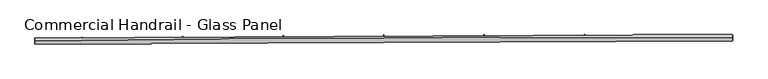
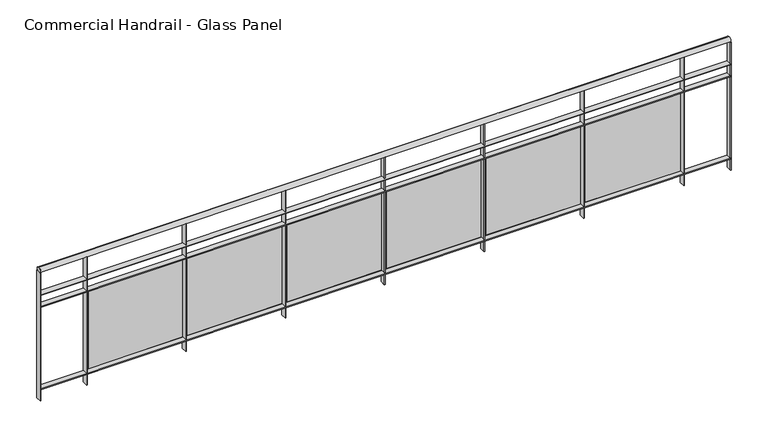
"""IFC4 building model written with IfcOpenShell, lengths in millimetres: railing geometry, Commercial Handrail - Glass Panel."""

from ifc_helpers import new_model, si_unit, point, frame, origin, place, context, project, spatial, polyline, circle_curve, ellipse_curve, trimmed, outline, extrude, source, transform, mapped, element, save
from ifc_brep_helpers import plane_surface, cylinder_surface, revolved_surface, advanced_brep


def commercial_handrail_glass_panel_6fb32caf(model_context):
    return source(origin(), model_context, "Body", "SolidModel", [
        advanced_brep(
        [(99695.5207842, -31501.488128, 23082.5), (105244.6880932, -31476.3541341, 23082.5), (105244.6880932, -31476.3541341, 23117.5), (99695.5207842, -31501.488128, 23117.5)],
        [
            (0, 1, circle_curve(frame((103958.1605732, -360026.9365691, 23082.5), z_axis=(0.0, 0.0, -1.0), x_axis=(0.003915736953513462, 0.9999923334726676, 0.0)), 328553.1012963)),
            (1, 2, ellipse_curve(frame((105244.6880932, -31476.3541341, 23100.0), z_axis=(-0.9999923334726678, 0.003915736953507025, 0.0), x_axis=(0.003915736953507024, 0.9999923334726676, 0.0)), 25.0, 17.5)),
            (2, 3, circle_curve(frame((103958.1605732, -360026.9365691, 23117.5), z_axis=(0.0, 0.0, 1.0), x_axis=(0.003915736953513462, 0.9999923334726676, 0.0)), 328553.1012963)),
            (3, 0, ellipse_curve(frame((99695.5207842, -31501.488128, 23100.0), z_axis=(0.9999158344417998, 0.012973975202676357, 0.0), x_axis=(-0.012973975202676354, 0.9999158344417995, 0.0)), 25.0, 17.5)),
            (2, 1, ellipse_curve(frame((105244.6880932, -31476.3541341, 23100.0), z_axis=(-0.9999923334726678, 0.003915736953507025, 0.0), x_axis=(0.003915736953507024, 0.9999923334726676, 0.0)), 25.0, 17.5)),
            (0, 3, ellipse_curve(frame((99695.5207842, -31501.488128, 23100.0), z_axis=(0.9999158344417998, 0.012973975202676357, 0.0), x_axis=(-0.012973975202676354, 0.9999158344417995, 0.0)), 25.0, 17.5)),
        ],
        [
            revolved_surface(trimmed(ellipse_curve(frame((105244.6880932, -31476.3541341, 23100.0), z_axis=(0.9999923334726676, -0.003915736953513463, 0.0), x_axis=(0.0, 0.0, -1.0)), 17.5, 25.0), [point((105244.6880932, -31476.3541341, 23117.5))], [point((105244.6880932, -31476.3541341, 23082.5))], True, "CARTESIAN"), (103958.1605732, -360026.9365691, 23100.0), (0.0, 0.0, 1.0)),
            revolved_surface(trimmed(ellipse_curve(frame((105244.6880932, -31476.3541341, 23100.0), z_axis=(0.9999923334726676, -0.003915736953513463, 0.0), x_axis=(0.0, 0.0, -1.0)), 17.5, 25.0), [point((105244.6880932, -31476.3541341, 23082.5))], [point((105244.6880932, -31476.3541341, 23117.5))], True, "CARTESIAN"), (103958.1605732, -360026.9365691, 23100.0), (0.0, 0.0, 1.0)),
            plane_surface(frame((105244.6880932, -31476.3541341, 23100.0), z_axis=(0.9999923334726677, -0.003915736953513464, 0.0), x_axis=(0.003915736953513464, 0.9999923334726677, 0.0))),
            plane_surface(frame((99695.5207842, -31501.488128, 23100.0), z_axis=(-0.9999158344417997, -0.012973975202676328, 0.0), x_axis=(0.012973975202676328, -0.9999158344417997, 0.0))),
        ],
        [
            (0, [[1, 2, 3, 4]]),
            (1, [[-3, 5, -1, 6]]),
            (2, [[-2, -5]]),
            (3, [[-6, -4]]),
        ],
    ),
        advanced_brep(
        [(99695.8126987, -31523.9862342, 22900.0), (105244.5999891, -31498.8539616, 22900.0), (105244.7761972, -31453.8543066, 22900.0), (99695.2288698, -31478.9900217, 22900.0), (99695.8126987, -31523.9862342, 22894.0), (105244.5999891, -31498.8539616, 22894.0), (99695.2288698, -31478.9900217, 22894.0), (105244.7761972, -31453.8543066, 22894.0)],
        [
            (0, 1, circle_curve(frame((103958.1605732, -360026.9365691, 22900.0), z_axis=(0.0, 0.0, -1.0), x_axis=(0.003915736953513462, 0.9999923334726676, 0.0)), 328530.6012963)),
            (1, 2),
            (2, 3, circle_curve(frame((103958.1605732, -360026.9365691, 22900.0), z_axis=(0.0, 0.0, 1.0), x_axis=(0.003915736953513462, 0.9999923334726676, 0.0)), 328575.6012963)),
            (3, 0),
            (4, 5, circle_curve(frame((103958.1605732, -360026.9365691, 22894.0), z_axis=(0.0, 0.0, -1.0), x_axis=(0.003915736953513462, 0.9999923334726676, 0.0)), 328530.6012963)),
            (5, 1),
            (0, 4),
            (6, 7, circle_curve(frame((103958.1605732, -360026.9365691, 22894.0), z_axis=(0.0, 0.0, -1.0), x_axis=(0.003915736953513462, 0.9999923334726676, 0.0)), 328575.6012963)),
            (7, 5),
            (4, 6),
            (2, 7),
            (6, 3),
        ],
        [
            plane_surface(frame((103958.1605732, -360026.9365691, 22900.0), z_axis=(0.0, 0.0, 1.0000000000000002), x_axis=(0.003915736953513463, 0.9999923334726677, 0.0))),
            revolved_surface(polyline([(105244.59998905592, -31498.85396163439, 22900.0), (105244.59998905592, -31498.85396163439, 22894.0)]), (103958.1605732, -360026.9365691, 22900.0), (0.0, 0.0, 1.0)),
            plane_surface(frame((103958.1605732, -360026.9365691, 22894.0), z_axis=(0.0, 0.0, -1.0000000000000002), x_axis=(0.003915736953513463, 0.9999923334726677, 0.0))),
            cylinder_surface(frame((103958.1605732, -360026.9365691, 22900.0), z_axis=(0.0, 0.0, 1.0), x_axis=(0.003915736953513462, 0.9999923334726676, 0.0)), 328575.6012963),
            plane_surface(frame((105244.6880932, -31476.3541341, 22900.0), z_axis=(0.9999923334726677, -0.003915736953513464, 0.0), x_axis=(0.003915736953513464, 0.9999923334726677, 0.0))),
            plane_surface(frame((99695.5207842, -31501.488128, 22900.0), z_axis=(-0.9999158344417997, -0.012973975202676328, 0.0), x_axis=(0.012973975202676328, -0.9999158344417997, 0.0))),
        ],
        [
            (0, [[1, 2, 3, 4]]),
            (1, [[5, 6, -1, 7]]),
            (2, [[8, 9, -5, 10]]),
            (3, [[-3, 11, -8, 12]]),
            (4, [[-2, -6, -9, -11]]),
            (5, [[-12, -10, -7, -4]]),
        ],
    ),
        advanced_brep(
        [(99695.8126987, -31523.9862342, 22800.0), (105244.5999891, -31498.8539616, 22800.0), (105244.7761972, -31453.8543066, 22800.0), (99695.2288698, -31478.9900217, 22800.0), (99695.8126987, -31523.9862342, 22794.0), (105244.5999891, -31498.8539616, 22794.0), (99695.2288698, -31478.9900217, 22794.0), (105244.7761972, -31453.8543066, 22794.0)],
        [
            (0, 1, circle_curve(frame((103958.1605732, -360026.9365691, 22800.0), z_axis=(0.0, 0.0, -1.0), x_axis=(0.003915736953513462, 0.9999923334726676, 0.0)), 328530.6012963)),
            (1, 2),
            (2, 3, circle_curve(frame((103958.1605732, -360026.9365691, 22800.0), z_axis=(0.0, 0.0, 1.0), x_axis=(0.003915736953513462, 0.9999923334726676, 0.0)), 328575.6012963)),
            (3, 0),
            (4, 5, circle_curve(frame((103958.1605732, -360026.9365691, 22794.0), z_axis=(0.0, 0.0, -1.0), x_axis=(0.003915736953513462, 0.9999923334726676, 0.0)), 328530.6012963)),
            (5, 1),
            (0, 4),
            (6, 7, circle_curve(frame((103958.1605732, -360026.9365691, 22794.0), z_axis=(0.0, 0.0, -1.0), x_axis=(0.003915736953513462, 0.9999923334726676, 0.0)), 328575.6012963)),
            (7, 5),
            (4, 6),
            (2, 7),
            (6, 3),
        ],
        [
            plane_surface(frame((103958.1605732, -360026.9365691, 22800.0), z_axis=(0.0, 0.0, 1.0000000000000002), x_axis=(0.003915736953513463, 0.9999923334726677, 0.0))),
            revolved_surface(polyline([(105244.59998905592, -31498.85396163439, 22800.0), (105244.59998905592, -31498.85396163439, 22794.0)]), (103958.1605732, -360026.9365691, 22800.0), (0.0, 0.0, 1.0)),
            plane_surface(frame((103958.1605732, -360026.9365691, 22794.0), z_axis=(0.0, 0.0, -1.0000000000000002), x_axis=(0.003915736953513463, 0.9999923334726677, 0.0))),
            cylinder_surface(frame((103958.1605732, -360026.9365691, 22800.0), z_axis=(0.0, 0.0, 1.0), x_axis=(0.003915736953513462, 0.9999923334726676, 0.0)), 328575.6012963),
            plane_surface(frame((105244.6880932, -31476.3541341, 22800.0), z_axis=(0.9999923334726677, -0.003915736953513464, 0.0), x_axis=(0.003915736953513464, 0.9999923334726677, 0.0))),
            plane_surface(frame((99695.5207842, -31501.488128, 22800.0), z_axis=(-0.9999158344417997, -0.012973975202676328, 0.0), x_axis=(0.012973975202676328, -0.9999158344417997, 0.0))),
        ],
        [
            (0, [[1, 2, 3, 4]]),
            (1, [[5, 6, -1, 7]]),
            (2, [[8, 9, -5, 10]]),
            (3, [[-3, 11, -8, 12]]),
            (4, [[-2, -6, -9, -11]]),
            (5, [[-12, -10, -7, -4]]),
        ],
    ),
        advanced_brep(
        [(99695.8126987, -31523.9862342, 22100.0), (105244.5999891, -31498.8539616, 22100.0), (105244.7761972, -31453.8543066, 22100.0), (99695.2288698, -31478.9900217, 22100.0), (99695.8126987, -31523.9862342, 22094.0), (105244.5999891, -31498.8539616, 22094.0), (99695.2288698, -31478.9900217, 22094.0), (105244.7761972, -31453.8543066, 22094.0)],
        [
            (0, 1, circle_curve(frame((103958.1605732, -360026.9365691, 22100.0), z_axis=(0.0, 0.0, -1.0), x_axis=(0.003915736953513462, 0.9999923334726676, 0.0)), 328530.6012963)),
            (1, 2),
            (2, 3, circle_curve(frame((103958.1605732, -360026.9365691, 22100.0), z_axis=(0.0, 0.0, 1.0), x_axis=(0.003915736953513462, 0.9999923334726676, 0.0)), 328575.6012963)),
            (3, 0),
            (4, 5, circle_curve(frame((103958.1605732, -360026.9365691, 22094.0), z_axis=(0.0, 0.0, -1.0), x_axis=(0.003915736953513462, 0.9999923334726676, 0.0)), 328530.6012963)),
            (5, 1),
            (0, 4),
            (6, 7, circle_curve(frame((103958.1605732, -360026.9365691, 22094.0), z_axis=(0.0, 0.0, -1.0), x_axis=(0.003915736953513462, 0.9999923334726676, 0.0)), 328575.6012963)),
            (7, 5),
            (4, 6),
            (2, 7),
            (6, 3),
        ],
        [
            plane_surface(frame((103958.1605732, -360026.9365691, 22100.0), z_axis=(0.0, 0.0, 1.0000000000000002), x_axis=(0.003915736953513463, 0.9999923334726677, 0.0))),
            revolved_surface(polyline([(105244.59998905592, -31498.85396163439, 22100.0), (105244.59998905592, -31498.85396163439, 22094.0)]), (103958.1605732, -360026.9365691, 22100.0), (0.0, 0.0, 1.0)),
            plane_surface(frame((103958.1605732, -360026.9365691, 22094.0), z_axis=(0.0, 0.0, -1.0000000000000002), x_axis=(0.003915736953513463, 0.9999923334726677, 0.0))),
            cylinder_surface(frame((103958.1605732, -360026.9365691, 22100.0), z_axis=(0.0, 0.0, 1.0), x_axis=(0.003915736953513462, 0.9999923334726676, 0.0)), 328575.6012963),
            plane_surface(frame((105244.6880932, -31476.3541341, 22100.0), z_axis=(0.9999923334726677, -0.003915736953513464, 0.0), x_axis=(0.003915736953513464, 0.9999923334726677, 0.0))),
            plane_surface(frame((99695.5207842, -31501.488128, 22100.0), z_axis=(-0.9999158344417997, -0.012973975202676328, 0.0), x_axis=(0.012973975202676328, -0.9999158344417997, 0.0))),
        ],
        [
            (0, [[1, 2, 3, 4]]),
            (1, [[5, 6, -1, 7]]),
            (2, [[8, 9, -5, 10]]),
            (3, [[-3, 11, -8, 12]]),
            (4, [[-2, -6, -9, -11]]),
            (5, [[-12, -10, -7, -4]]),
        ],
    ),
        extrude(outline(polyline([(100072.870567, -31474.3071506), (100073.4030869, -31519.3039996), (100067.403507, -31519.3750023), (100066.8709872, -31474.3781533), (100072.870567, -31474.3071506)])), frame((0.0, 0.0, 22000.0), z_axis=(0.0, 0.0, 1.0), x_axis=(1.0, 0.0, 0.0)), (0.0, 0.0, 1.0), 1082.1192282),
        extrude(outline(polyline([(100850.1540943, -31494.3164749), (100090.1969245, -31502.3849334), (100090.0695278, -31490.3856097), (100850.0266976, -31482.3171512), (100850.1540943, -31494.3164749)])), frame((0.0, 0.0, 22120.0), z_axis=(0.0, 0.0, 1.0), x_axis=(1.0, 0.0, 0.0)), (0.0, 0.0, 1.0), 660.0),
        extrude(outline(polyline([(100872.8801451, -31465.8207612), (100873.3030999, -31510.8187735), (100867.3033649, -31510.8751675), (100866.8804102, -31465.8771552), (100872.8801451, -31465.8207612)])), frame((0.0, 0.0, 22000.0), z_axis=(0.0, 0.0, 1.0), x_axis=(1.0, 0.0, 0.0)), (0.0, 0.0, 1.0), 1082.1192282),
        extrude(outline(polyline([(101650.1126472, -31487.7226463), (100890.1380842, -31493.940649), (100890.0399052, -31481.9410507), (101650.0144682, -31475.723048), (101650.1126472, -31487.7226463)])), frame((0.0, 0.0, 22120.0), z_axis=(0.0, 0.0, 1.0), x_axis=(1.0, 0.0, 0.0)), (0.0, 0.0, 1.0), 660.0),
        extrude(outline(polyline([(101672.9080153, -31459.2823531), (101673.2214025, -31504.2812619), (101667.221548, -31504.3230468), (101666.9081608, -31459.3241381), (101672.9080153, -31459.2823531)])), frame((0.0, 0.0, 22000.0), z_axis=(0.0, 0.0, 1.0), x_axis=(1.0, 0.0, 0.0)), (0.0, 0.0, 1.0), 1082.1192282),
        extrude(outline(polyline([(102450.0848841, -31483.0766692), (101690.0974336, -31487.4441792), (101690.028473, -31475.4443774), (102450.0159234, -31471.0768673), (102450.0848841, -31483.0766692)])), frame((0.0, 0.0, 22120.0), z_axis=(0.0, 0.0, 1.0), x_axis=(1.0, 0.0, 0.0)), (0.0, 0.0, 1.0), 660.0),
        extrude(outline(polyline([(102472.9494344, -31454.6919651), (102473.153252, -31499.6915035), (102467.1533136, -31499.7186792), (102466.9494959, -31454.7191408), (102472.9494344, -31454.6919651)])), frame((0.0, 0.0, 22000.0), z_axis=(0.0, 0.0, 1.0), x_axis=(1.0, 0.0, 0.0)), (0.0, 0.0, 1.0), 1082.1192282),
        extrude(outline(polyline([(103250.0660621, -31480.378571), (102490.0702301, -31482.8955625), (102490.0304881, -31470.8956283), (103250.0263202, -31468.3786368), (103250.0660621, -31480.378571)])), frame((0.0, 0.0, 22120.0), z_axis=(0.0, 0.0, 1.0), x_axis=(1.0, 0.0, 0.0)), (0.0, 0.0, 1.0), 660.0),
        extrude(outline(polyline([(103272.999659, -31452.0496243), (103273.0939059, -31497.0495257), (103267.0939191, -31497.0620919), (103266.9996722, -31452.0621906), (103272.999659, -31452.0496243)])), frame((0.0, 0.0, 22000.0), z_axis=(0.0, 0.0, 1.0), x_axis=(1.0, 0.0, 0.0)), (0.0, 0.0, 1.0), 1082.1192282),
        extrude(outline(polyline([(104050.0514383, -31479.6283679), (103290.0517305, -31480.2948258), (103290.0412075, -31468.2948304), (104050.0409153, -31467.6283725), (104050.0514383, -31479.6283679)])), frame((0.0, 0.0, 22120.0), z_axis=(0.0, 0.0, 1.0), x_axis=(1.0, 0.0, 0.0)), (0.0, 0.0, 1.0), 660.0),
        extrude(outline(polyline([(104073.0539458, -31451.3553465), (104073.0386215, -31496.3553439), (104067.0386218, -31496.3533007), (104067.0539462, -31451.3533033), (104073.0539458, -31451.3553465)])), frame((0.0, 0.0, 22000.0), z_axis=(0.0, 0.0, 1.0), x_axis=(1.0, 0.0, 0.0)), (0.0, 0.0, 1.0), 1082.1192282),
        extrude(outline(polyline([(104850.0362697, -31480.8260641), (104090.0371921, -31479.6419846), (104090.0558881, -31467.6419992), (104850.0549657, -31468.8260787), (104850.0362697, -31480.8260641)])), frame((0.0, 0.0, 22120.0), z_axis=(0.0, 0.0, 1.0), x_axis=(1.0, 0.0, 0.0)), (0.0, 0.0, 1.0), 660.0),
        extrude(outline(polyline([(104873.1075514, -31452.6091358), (104872.9826559, -31497.6089625), (104866.9826791, -31497.5923097), (104867.1075746, -31452.592483), (104873.1075514, -31452.6091358)])), frame((0.0, 0.0, 22000.0), z_axis=(0.0, 0.0, 1.0), x_axis=(1.0, 0.0, 0.0)), (0.0, 0.0, 1.0), 1082.1192282),
        extrude(outline(polyline([(99698.2286173, -31478.9510998), (99698.8124462, -31523.9473123), (99692.8129512, -31524.0251562), (99692.2291223, -31479.0289436), (99698.2286173, -31478.9510998)])), frame((0.0, 0.0, 22000.0), z_axis=(0.0, 0.0, 1.0), x_axis=(1.0, 0.0, 0.0)), (0.0, 0.0, 1.0), 1082.1192282),
        extrude(outline(polyline([(105247.7761742, -31453.8660538), (105247.5999661, -31498.8657088), (105241.6000121, -31498.8422144), (105241.7762202, -31453.8425594), (105247.7761742, -31453.8660538)])), frame((0.0, 0.0, 22000.0), z_axis=(0.0, 0.0, 1.0), x_axis=(1.0, 0.0, 0.0)), (0.0, 0.0, 1.0), 1082.1192282),
    ])


if __name__ == "__main__":
    model = new_model("IFC4")
    model_context = context("Model", 3, world=origin())
    ifc_project = project(units=[si_unit("LENGTHUNIT", "METRE", prefix="MILLI")], contexts=[model_context])
    site = spatial("IfcSite", under=ifc_project)
    building = spatial("IfcBuilding", under=site)
    placement = place(None, origin())
    commercial_handrail_glass_panel_shape = commercial_handrail_glass_panel_6fb32caf(model_context)
    element("IfcRailing", 1, ObjectType="Commercial Handrail - Glass Panel", at=placement, inside=building, context=model_context, shape_type="MappedRepresentation", body=[
        mapped(commercial_handrail_glass_panel_shape, transform((0.0, 0.0, 0.0), x_axis=(1.0, 0.0, 0.0), y_axis=(0.0, 1.0, 0.0), z_axis=(0.0, 0.0, 1.0))),
    ])
    save(model, "model.ifc")
